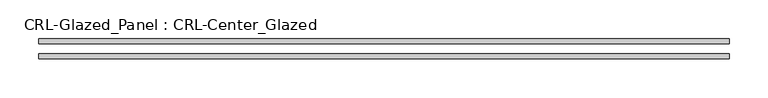
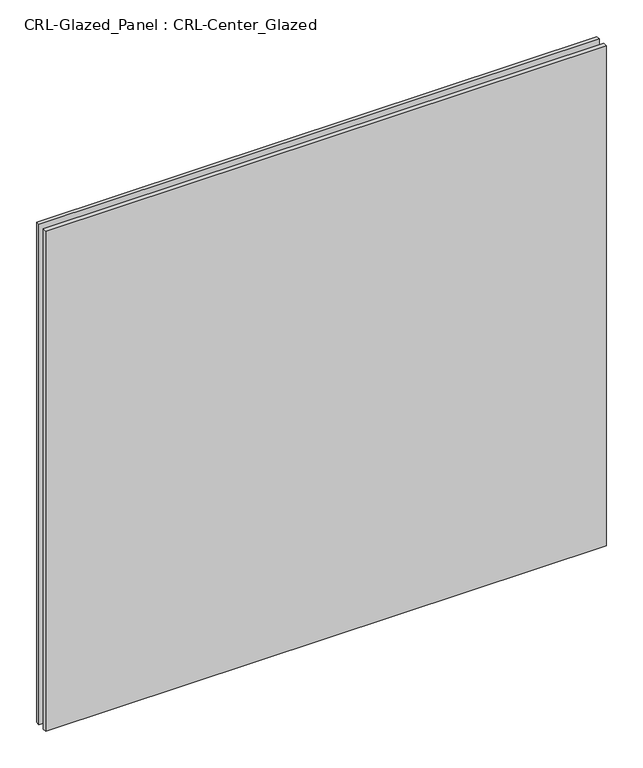
"""IFC4 building model written with IfcOpenShell, lengths in millimetres: plate geometry, CRL-Glazed_Panel : CRL-Center_Glazed."""

from ifc_helpers import new_model, si_unit, origin, origin_with_axes, place, context, project, spatial, polyline, outline, extrude, source, transform, mapped, element, save


def crl_glazed_panel_crl_center_glazed_23e94c2b(model_context):
    return source(origin(), model_context, "Body", "SweptSolid", [
        extrude(outline(polyline([(442.9125, -12.7), (-442.9125, -12.7), (-442.9125, -6.35), (442.9125, -6.35), (442.9125, -12.7)])), origin_with_axes(), (0.0, 0.0, 1.0), 836.2315157),
        extrude(outline(polyline([(-442.9125, 6.35), (-442.9125, 12.7), (442.9125, 12.7), (442.9125, 6.35), (-442.9125, 6.35)])), origin_with_axes(), (0.0, 0.0, 1.0), 836.2315157),
    ])


if __name__ == "__main__":
    model = new_model("IFC4")
    model_context = context("Model", 3, world=origin())
    ifc_project = project(units=[si_unit("LENGTHUNIT", "METRE", prefix="MILLI")], contexts=[model_context])
    site = spatial("IfcSite", under=ifc_project)
    building = spatial("IfcBuilding", under=site)
    placement = place(None, origin())
    crl_glazed_panel_crl_center_glazed_shape = crl_glazed_panel_crl_center_glazed_23e94c2b(model_context)
    element("IfcPlate", 1, ObjectType="CRL-Glazed_Panel : CRL-Center_Glazed", at=placement, inside=building, context=model_context, shape_type="MappedRepresentation", body=[
        mapped(crl_glazed_panel_crl_center_glazed_shape, transform((0.0, 0.0, 0.0), x_axis=(1.0, 0.0, 0.0), y_axis=(0.0, 1.0, 0.0), z_axis=(0.0, 0.0, 1.0))),
    ])
    save(model, "model.ifc")
